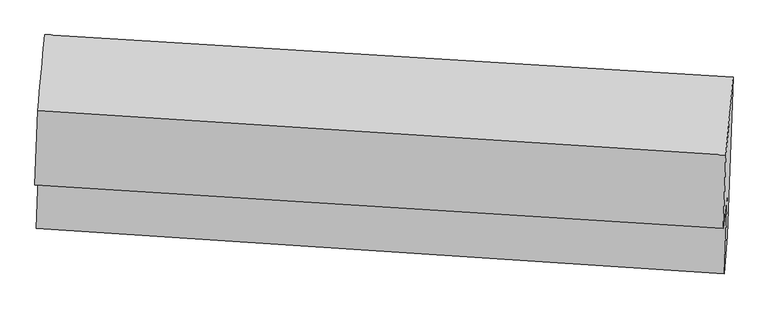
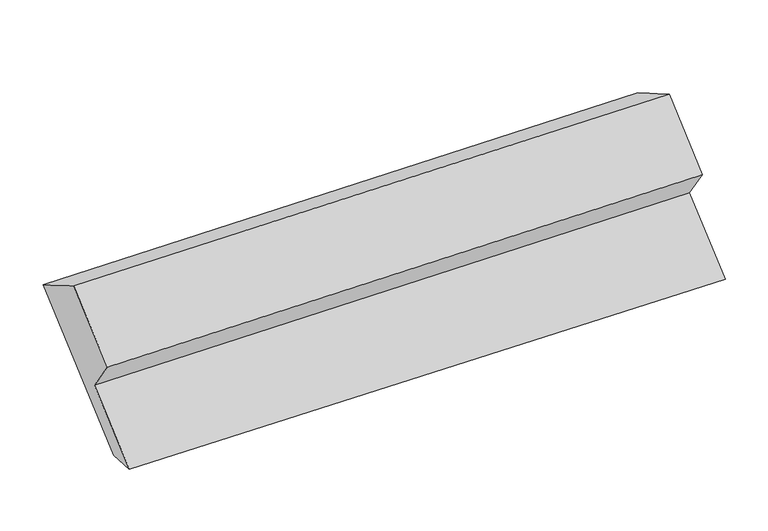
"""IFC4 building model written with IfcOpenShell, lengths in millimetres: proxy geometry."""

from ifc_helpers import new_model, si_unit, frame, origin, place, context, project, spatial, source, transform, mapped, element, save
from ifc_brep_helpers import plane_surface, spline_surface, advanced_brep


def generic_models_73c97016(model_context):
    return source(origin(), model_context, "Body", "AdvancedBrep", [
        advanced_brep(
        [(-5288.5763684, -1639.7450318, 1282.7053275), (-5248.6117861, -534.4395136, 2121.1726947), (-386.71727, -834.7454778, 2318.4191043), (-427.2577436, -1955.9784939, 1467.8693879), (-5307.9854868, -1903.3108856, 1321.5391814), (-447.4021125, -2225.5547824, 1514.661513), (-5288.2481574, -1357.4330641, 1735.633504), (-427.0888918, -1663.749463, 1940.8381848), (-5317.6605402, -1597.8698071, 2053.9899754), (-456.5012746, -1904.1862061, 2259.1946562), (-5298.5264254, -1068.6751684, 2455.4286981), (-437.6551054, -1382.9553163, 2654.5922043)],
        [
            (0, 1),
            (1, 2),
            (2, 3),
            (3, 0),
            (4, 0),
            (3, 5),
            (5, 4),
            (6, 4),
            (5, 7),
            (7, 6),
            (8, 6),
            (7, 9),
            (9, 8),
            (10, 8),
            (9, 11),
            (11, 10),
            (1, 10),
            (11, 2),
        ],
        [
            plane_surface(frame((-5268.5940772, -1087.0922727, 1701.9390111), z_axis=(0.06943475912672745, 0.6013146530492143, -0.7959896370263351), x_axis=(0.02879456353554878, 0.7963748929703104, 0.6041174579147038))),
            spline_surface(1, 1, [[(-5307.9854868, -1903.3108856, 1321.5391814), (-447.4021125, -2225.5547824, 1514.661513)], [(-5288.5763684, -1639.7450318, 1282.7053275), (-427.2577436, -1955.9784939, 1467.8693879)]], [2, 2], [2, 2], [0.0, 1.0], [0.0, 1.0]),
            plane_surface(frame((-5298.1168221, -1630.3719748, 1528.5863427), z_axis=(-0.0714800407886399, -0.6011803309718183, 0.7959100535999464), x_axis=(-0.028794563535553923, -0.7963748929703135, -0.6041174579146996))),
            plane_surface(frame((-5302.9543488, -1477.6514356, 1894.8117397), z_axis=(-0.024704660174521543, -0.7966444240388205, -0.6039431607473649), x_axis=(0.07352503890222786, 0.6010434782340326, -0.795827120627817))),
            plane_surface(frame((-5308.0934828, -1333.2724878, 2254.7093368), z_axis=(-0.07148004078863962, -0.6011803309718186, 0.7959100535999462), x_axis=(-0.028794563535554697, -0.7963748929703132, -0.6041174579146998))),
            spline_surface(1, 1, [[(-5248.6117861, -534.4395136, 2121.1726947), (-386.71727, -834.7454778, 2318.4191043)], [(-5298.5264254, -1068.6751684, 2455.4286981), (-437.6551054, -1382.9553163, 2654.5922043)]], [2, 2], [2, 2], [0.0, 1.0], [0.0, 1.0]),
            plane_surface(frame((-430.4370663, -1661.1949566, 2025.9291751), z_axis=(0.9968775961798034, -0.0673332541829279, 0.04124671036475968), x_axis=(0.07352503890222786, 0.6010434782340326, -0.795827120627817))),
            plane_surface(frame((-5291.6014607, -1350.2455785, 1828.4115635), z_axis=(-0.9968775961798035, 0.0673332541829251, -0.04124671036475466), x_axis=(-0.028794563535554464, -0.7963748929703114, -0.6041174579147022))),
        ],
        [
            (0, [[1, 2, 3, 4]]),
            (1, [[5, -4, 6, 7]]),
            (2, [[8, -7, 9, 10]]),
            (3, [[11, -10, 12, 13]]),
            (4, [[14, -13, 15, 16]]),
            (5, [[17, -16, 18, -2]]),
            (6, [[-12, -9, -6, -3, -18, -15]]),
            (7, [[-1, -5, -8, -11, -14, -17]]),
        ],
    ),
    ])


if __name__ == "__main__":
    model = new_model("IFC4")
    model_context = context("Model", 3, world=origin())
    ifc_project = project(units=[si_unit("LENGTHUNIT", "METRE", prefix="MILLI")], contexts=[model_context])
    site = spatial("IfcSite", under=ifc_project)
    building = spatial("IfcBuilding", under=site)
    placement = place(None, origin())
    generic_models_shape = generic_models_73c97016(model_context)
    element("IfcBuildingElementProxy", 1, Name="Generic Models", at=placement, inside=building, context=model_context, shape_type="MappedRepresentation", body=[
        mapped(generic_models_shape, transform((0.0, 0.0, 0.0), x_axis=(1.0, 0.0, 0.0), y_axis=(0.0, 1.0, 0.0), z_axis=(0.0, 0.0, 1.0))),
    ])
    save(model, "model.ifc")
